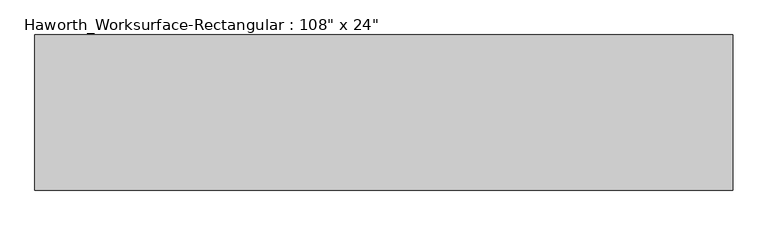
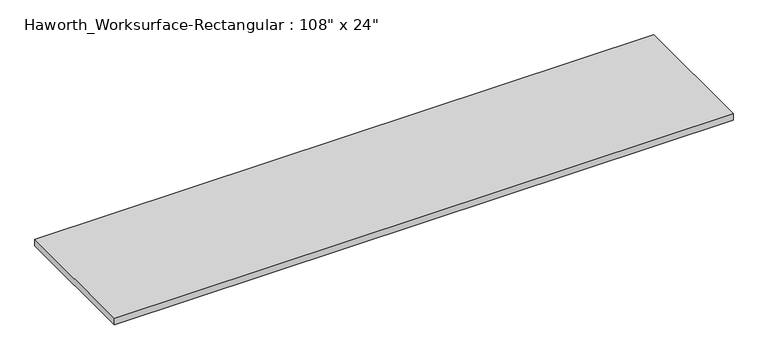
"""IFC4 building model written with IfcOpenShell, lengths in millimetres: furniture geometry."""

from ifc_helpers import new_model, si_unit, frame, origin, place, context, project, spatial, polyline, outline, extrude, source, transform, mapped, element, save


def furniture_2c69e369(model_context):
    return source(origin(), model_context, "Body", "SweptSolid", [
        extrude(outline(polyline([(1371.6, 304.8), (1371.6, -304.8), (-1371.6, -304.8), (-1371.6, 304.8), (1371.6, 304.8)])), frame((0.0, 0.0, 706.4375), z_axis=(0.0, 0.0, 1.0), x_axis=(1.0, 0.0, 0.0)), (0.0, 0.0, 1.0), 30.1625),
    ])


if __name__ == "__main__":
    model = new_model("IFC4")
    model_context = context("Model", 3, world=origin())
    ifc_project = project(units=[si_unit("LENGTHUNIT", "METRE", prefix="MILLI")], contexts=[model_context])
    site = spatial("IfcSite", under=ifc_project)
    building = spatial("IfcBuilding", under=site)
    placement = place(None, origin())
    furniture_shape = furniture_2c69e369(model_context)
    element("IfcFurniture", 1, ObjectType="Haworth_Worksurface-Rectangular : 108\" x 24\"", at=placement, inside=building, context=model_context, shape_type="MappedRepresentation", body=[
        mapped(furniture_shape, transform((0.0, 0.0, 0.0), x_axis=(1.0, 0.0, 0.0), y_axis=(0.0, 1.0, 0.0), z_axis=(0.0, 0.0, 1.0))),
    ])
    save(model, "model.ifc")
